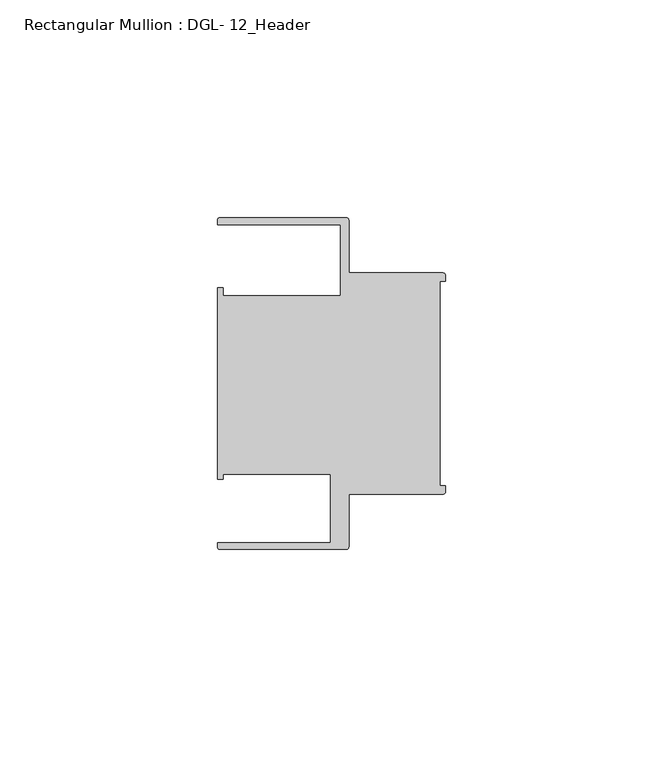
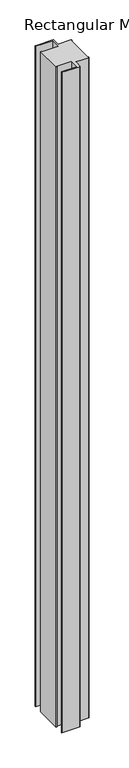
"""IFC4 building model written with IfcOpenShell, lengths in millimetres: member geometry, Rectangular Mullion : DGL- 12_Header."""

import ifcopenshell
import ifcopenshell.guid

model = None  # the IFC model being written
_history = None  # IfcOwnerHistory: only IFC2X3 demands one
_inside = {}  # id of a spatial element -> (the spatial element, [elements in it])
_under = {}  # id of a project, library or spatial element -> (it, [spatial elements below it])
_declared = {}  # id of a project -> (the project, [libraries it declares])
_typed = {}  # id of a type object -> (the type object, [elements of that type])
_made_of = {}  # id of a material, layer set ... -> (it, [elements and type objects made of it])


def new_model(schema):
    """Start an empty IFC model of exactly this schema.

    Asked for "IFC4X3", IfcOpenShell would pick the latest addendum, in which some entities
    have other attributes; the version numbers below select the first issue.
    IFC2X3 requires an IfcOwnerHistory on every rooted entity: one is made here for all.
    """
    global model, _history
    if schema == "IFC4X3":
        model = ifcopenshell.file(schema_version=(4, 3, 0, 0))
    else:
        model = ifcopenshell.file(schema=schema)
    _inside.clear()
    _under.clear()
    _declared.clear()
    _typed.clear()
    _made_of.clear()
    _history = None
    if model.schema == "IFC2X3":
        org = make("IfcOrganization", Name="unknown")
        user = make(
            "IfcPersonAndOrganization",
            ThePerson=make("IfcPerson", FamilyName="unknown"),
            TheOrganization=org,
        )
        app = make(
            "IfcApplication",
            ApplicationDeveloper=org,
            Version="unknown",
            ApplicationFullName="unknown",
            ApplicationIdentifier="unknown",
        )
        _history = make(
            "IfcOwnerHistory",
            OwningUser=user,
            OwningApplication=app,
            ChangeAction="ADDED",
            CreationDate=0,
        )
    return model


def make(cls, **values):
    """One entity of the class cls with the attributes given. An attribute that is None is left unset."""
    return model.create_entity(
        cls, **{name: value for name, value in values.items() if value is not None}
    )


def rooted(cls, **values):
    """An entity with a GlobalId (a new one), such as an element, a storey or a relation."""
    return make(cls, GlobalId=ifcopenshell.guid.new(), OwnerHistory=_history, **values)


def si_unit(unit_type, name, prefix=None):
    """IfcSIUnit, for example si_unit("LENGTHUNIT", "METRE", prefix="MILLI")."""
    return make("IfcSIUnit", UnitType=unit_type, Prefix=prefix, Name=name)


def assignment(units):
    """IfcUnitAssignment: the units of a project."""
    return None if units is None else make("IfcUnitAssignment", Units=units)


def point(xyz):
    """IfcCartesianPoint."""
    return None if xyz is None else make("IfcCartesianPoint", Coordinates=xyz)


def direction(xyz):
    """IfcDirection."""
    return None if xyz is None else make("IfcDirection", DirectionRatios=xyz)


def frame(location, z_axis=None, x_axis=None):
    """IfcAxis2Placement3D, a coordinate frame: its origin and axes. An axis left out is left unset."""
    return make(
        "IfcAxis2Placement3D",
        Location=point(location),
        Axis=direction(z_axis),
        RefDirection=direction(x_axis),
    )


def frame_2d(location, x_axis=None):
    """IfcAxis2Placement2D, a coordinate frame in the plane: its origin and x axis."""
    return make(
        "IfcAxis2Placement2D", Location=point(location), RefDirection=direction(x_axis)
    )


def origin():
    """The frame at (0, 0, 0) with its axes left unset."""
    return frame((0.0, 0.0, 0.0))


def place(relative_to, where):
    """IfcLocalPlacement: puts the frame where relative to a parent placement (None: the world)."""
    return make(
        "IfcLocalPlacement", PlacementRelTo=relative_to, RelativePlacement=where
    )


def context(
    kind, dimensions, precision=None, world=None, true_north=None, identifier=None
):
    """IfcGeometricRepresentationContext, for example the 3D "Model" context."""
    return make(
        "IfcGeometricRepresentationContext",
        ContextIdentifier=identifier,
        ContextType=kind,
        CoordinateSpaceDimension=dimensions,
        Precision=precision,
        WorldCoordinateSystem=world,
        TrueNorth=true_north,
    )


def project(units=None, contexts=None):
    """IfcProject with its units and contexts."""
    return rooted(
        "IfcProject",
        Name="project",
        RepresentationContexts=contexts,
        UnitsInContext=assignment(units),
    )


def spatial(cls, under=None, at=None, **own):
    """A site, building, storey or space (cls), placed at a placement, below another one or the project."""
    s = rooted(cls, ObjectPlacement=at, **own)
    if under is not None:
        _under.setdefault(under.id(), (under, []))[1].append(s)
    return s


def polyline(points):
    """IfcPolyline through the points."""
    return make("IfcPolyline", Points=[point(p) for p in points])


def circle_curve(where, radius):
    """IfcCircle in the frame where."""
    return make("IfcCircle", Position=where, Radius=radius)


def trimmed(basis, trim1, trim2, sense, master):
    """IfcTrimmedCurve: the piece of a basis curve between two trims."""
    return make(
        "IfcTrimmedCurve",
        BasisCurve=basis,
        Trim1=trim1,
        Trim2=trim2,
        SenseAgreement=sense,
        MasterRepresentation=master,
    )


def segment(curve, same_sense, transition):
    """IfcCompositeCurveSegment."""
    return make(
        "IfcCompositeCurveSegment",
        Transition=transition,
        SameSense=same_sense,
        ParentCurve=curve,
    )


def composite_curve(segments, self_intersect=None):
    """IfcCompositeCurve: segments joined end to end."""
    return make("IfcCompositeCurve", Segments=segments, SelfIntersect=self_intersect)


def outline(outer, holes=None, kind="AREA"):
    """IfcArbitraryClosedProfileDef: a profile drawn as a closed curve; with holes, ...WithVoids."""
    if holes is None:
        return make("IfcArbitraryClosedProfileDef", ProfileType=kind, OuterCurve=outer)
    return make(
        "IfcArbitraryProfileDefWithVoids",
        ProfileType=kind,
        OuterCurve=outer,
        InnerCurves=holes,
    )


def extrude(swept, where, along, depth):
    """IfcExtrudedAreaSolid: the profile swept, set in the frame where, extruded along a direction by depth."""
    return make(
        "IfcExtrudedAreaSolid",
        SweptArea=swept,
        Position=where,
        ExtrudedDirection=direction(along),
        Depth=depth,
    )


def shape(context_of_items, identifier, shape_type, items):
    """IfcShapeRepresentation: the items that make up one representation, for example the "Body"."""
    return make(
        "IfcShapeRepresentation",
        ContextOfItems=context_of_items,
        RepresentationIdentifier=identifier,
        RepresentationType=shape_type,
        Items=items,
    )


def source(mapping_origin, context_of_items, identifier, shape_type, items):
    """IfcRepresentationMap: a shape defined once, which mapped items show again and again."""
    return make(
        "IfcRepresentationMap",
        MappingOrigin=mapping_origin,
        MappedRepresentation=shape(context_of_items, identifier, shape_type, items),
    )


def transform(
    local_origin,
    x_axis=None,
    y_axis=None,
    z_axis=None,
    scale=None,
    scale2=None,
    scale3=None,
    uniform=True,
):
    """IfcCartesianTransformationOperator3D, or its non-uniform kind. x_axis, y_axis, z_axis: its Axis1, 2, 3."""
    if uniform:
        return make(
            "IfcCartesianTransformationOperator3D",
            Axis1=direction(x_axis),
            Axis2=direction(y_axis),
            LocalOrigin=point(local_origin),
            Scale=scale,
            Axis3=direction(z_axis),
        )
    return make(
        "IfcCartesianTransformationOperator3DnonUniform",
        Axis1=direction(x_axis),
        Axis2=direction(y_axis),
        LocalOrigin=point(local_origin),
        Scale=scale,
        Axis3=direction(z_axis),
        Scale2=scale2,
        Scale3=scale3,
    )


def mapped(mapping_source, mapping_target):
    """IfcMappedItem: shows the shape of a source again, moved by a transform."""
    return make(
        "IfcMappedItem", MappingSource=mapping_source, MappingTarget=mapping_target
    )


def made_of(thing, what):
    """Note that an element or type object is made of a material, layer set ...; save() writes the relation."""
    if what is not None:
        _made_of.setdefault(what.id(), (what, []))[1].append(thing)
    return thing


def element(
    cls,
    number,
    at=None,
    inside=None,
    cuts=None,
    type_object=None,
    material=None,
    context=None,
    identifier="Body",
    shape_type=None,
    held_by="IfcProductDefinitionShape",
    body=None,
    shapes=None,
    **own,
):
    """One element of the class cls, such as IfcWall. Its Tag is "e" and its number.

    at: its placement. inside: the storey or other place that contains it. cuts: it is an
    opening in that element (IfcRelVoidsElement). A single representation is given by context,
    identifier, shape_type and body (its items); several are given by shapes. held_by: the class
    of the entity that holds the representations. save() writes the other relations.
    """
    e = rooted(cls, Tag="e%d" % number, ObjectPlacement=at, **own)
    if body is not None:
        shapes = [shape(context, identifier, shape_type, body)]
    if shapes is not None:
        e.Representation = make(held_by, Representations=shapes)
    if inside is not None:
        _inside.setdefault(inside.id(), (inside, []))[1].append(e)
    if cuts is not None:
        rooted(
            "IfcRelVoidsElement", RelatingBuildingElement=cuts, RelatedOpeningElement=e
        )
    if type_object is not None:
        _typed.setdefault(type_object.id(), (type_object, []))[1].append(e)
    return made_of(e, material)


def aggregate(whole, parts):
    """IfcRelAggregates: a whole, such as a stair, and the parts it consists of."""
    return rooted("IfcRelAggregates", RelatingObject=whole, RelatedObjects=parts)


def save(model, path):
    """Write the relations noted so far, then the file.

    IfcRelAggregates (storeys below a building ...), IfcRelContainedInSpatialStructure (elements
    in a storey), IfcRelDefinesByType, IfcRelAssociatesMaterial and IfcRelDeclares: one each for
    every whole, place, type object, material and project.
    """
    for whole, parts in _under.values():
        aggregate(whole, parts)
    for where, things in _inside.values():
        rooted(
            "IfcRelContainedInSpatialStructure",
            RelatedElements=things,
            RelatingStructure=where,
        )
    for kind, things in _typed.values():
        rooted("IfcRelDefinesByType", RelatedObjects=things, RelatingType=kind)
    for what, things in _made_of.values():
        rooted("IfcRelAssociatesMaterial", RelatedObjects=things, RelatingMaterial=what)
    for by, libraries in _declared.values():
        rooted("IfcRelDeclares", RelatingContext=by, RelatedDefinitions=libraries)
    model.write(path)


def rectangular_mullion_dgl_12_header_62d7daa3(model_context):
    return source(origin(), model_context, "Body", "SweptSolid", [
        extrude(outline(composite_curve([segment(trimmed(circle_curve(frame_2d((-0.5953125, 24.8046875)), 0.5953125), [point((-0.5953125, 25.4))], [point((0.0, 24.8046875))], False, "CARTESIAN"), True, "CONTINUOUS"), segment(polyline([(0.0, 24.8046875), (0.0, 23.4882401), (-1.30175, 23.4882401), (-1.30175, -23.4882401), (0.0, -23.4882401), (0.0, -24.8046875)]), True, "CONTINUOUS"), segment(trimmed(circle_curve(frame_2d((-0.5953125, -24.8046875)), 0.5953125), [point((0.0, -24.8046875))], [point((-0.5953125, -25.4))], False, "CARTESIAN"), True, "CONTINUOUS"), segment(polyline([(-0.5953125, -25.4), (-22.2332076, -25.4), (-22.2332076, -37.5047035)]), True, "CONTINUOUS"), segment(trimmed(circle_curve(frame_2d((-22.8285201, -37.5047035)), 0.5953125), [point((-22.2332076, -37.5047035))], [point((-22.8285201, -38.100016))], False, "CARTESIAN"), True, "CONTINUOUS"), segment(polyline([(-22.8285201, -38.100016), (-51.7968699, -38.100016)]), True, "CONTINUOUS"), segment(trimmed(circle_curve(frame_2d((-51.7968699, -37.5047035)), 0.5953125), [point((-51.7968699, -38.100016))], [point((-52.3921824, -37.5047035))], False, "CARTESIAN"), True, "CONTINUOUS"), segment(polyline([(-52.3921824, -37.5047035), (-52.3921824, -36.512516), (-26.3720794, -36.512516), (-26.3720794, -20.8257348), (-51.1280305, -20.8257348), (-51.1280305, -21.9710976), (-52.3948122, -21.9710976), (-52.3948122, 21.9710976), (-51.1280305, 21.9710976), (-51.1280305, 20.1823589), (-24.0747075, 20.1823589), (-24.0747075, 36.5123462), (-52.3921824, 36.5123462), (-52.3921824, 37.5043667)]), True, "CONTINUOUS"), segment(trimmed(circle_curve(frame_2d((-51.7968699, 37.5043667)), 0.5953125), [point((-52.3921824, 37.5043667))], [point((-51.7968699, 38.0996792))], False, "CARTESIAN"), True, "CONTINUOUS"), segment(polyline([(-51.7968699, 38.0996792), (-22.8285201, 38.0996792)]), True, "CONTINUOUS"), segment(trimmed(circle_curve(frame_2d((-22.8285201, 37.5043667)), 0.5953125), [point((-22.8285201, 38.0996792))], [point((-22.2332076, 37.5043667))], False, "CARTESIAN"), True, "CONTINUOUS"), segment(polyline([(-22.2332076, 37.5043667), (-22.2332076, 25.4), (-0.5953125, 25.4)]), True, "CONTINUOUS")], self_intersect=False)), frame((0.0, 0.0, -1143.0), z_axis=(0.0, 0.0, 1.0), x_axis=(1.0, 0.0, 0.0)), (0.0, 0.0, 1.0), 1143.0),
    ])


if __name__ == "__main__":
    model = new_model("IFC4")
    model_context = context("Model", 3, world=origin())
    ifc_project = project(units=[si_unit("LENGTHUNIT", "METRE", prefix="MILLI")], contexts=[model_context])
    site = spatial("IfcSite", under=ifc_project)
    building = spatial("IfcBuilding", under=site)
    placement = place(None, origin())
    rectangular_mullion_dgl_12_header_shape = rectangular_mullion_dgl_12_header_62d7daa3(model_context)
    element("IfcMember", 1, ObjectType="Rectangular Mullion : DGL- 12_Header", at=placement, inside=building, context=model_context, shape_type="MappedRepresentation", body=[
        mapped(rectangular_mullion_dgl_12_header_shape, transform((0.0, 0.0, 0.0), x_axis=(1.0, 0.0, 0.0), y_axis=(0.0, 1.0, 0.0), z_axis=(0.0, 0.0, 1.0))),
    ])
    save(model, "model.ifc")
